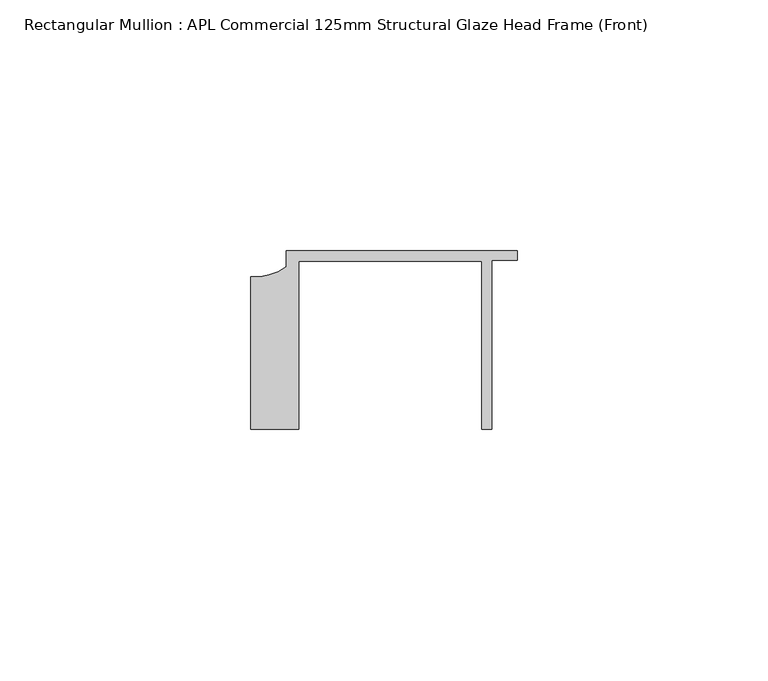
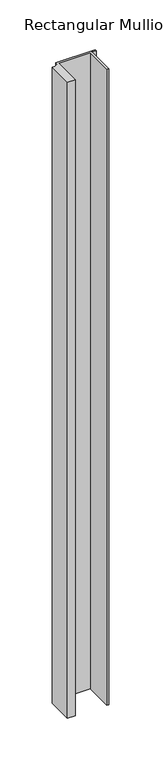
"""IFC4 building model written with IfcOpenShell, lengths in millimetres: member geometry, Rectangular Mullion : APL Commercial 125mm Structural Glaze Head Frame (Front)."""

import ifcopenshell
import ifcopenshell.guid

model = None  # the IFC model being written
_history = None  # IfcOwnerHistory: only IFC2X3 demands one
_inside = {}  # id of a spatial element -> (the spatial element, [elements in it])
_under = {}  # id of a project, library or spatial element -> (it, [spatial elements below it])
_declared = {}  # id of a project -> (the project, [libraries it declares])
_typed = {}  # id of a type object -> (the type object, [elements of that type])
_made_of = {}  # id of a material, layer set ... -> (it, [elements and type objects made of it])


def new_model(schema):
    """Start an empty IFC model of exactly this schema.

    Asked for "IFC4X3", IfcOpenShell would pick the latest addendum, in which some entities
    have other attributes; the version numbers below select the first issue.
    IFC2X3 requires an IfcOwnerHistory on every rooted entity: one is made here for all.
    """
    global model, _history
    if schema == "IFC4X3":
        model = ifcopenshell.file(schema_version=(4, 3, 0, 0))
    else:
        model = ifcopenshell.file(schema=schema)
    _inside.clear()
    _under.clear()
    _declared.clear()
    _typed.clear()
    _made_of.clear()
    _history = None
    if model.schema == "IFC2X3":
        org = make("IfcOrganization", Name="unknown")
        user = make(
            "IfcPersonAndOrganization",
            ThePerson=make("IfcPerson", FamilyName="unknown"),
            TheOrganization=org,
        )
        app = make(
            "IfcApplication",
            ApplicationDeveloper=org,
            Version="unknown",
            ApplicationFullName="unknown",
            ApplicationIdentifier="unknown",
        )
        _history = make(
            "IfcOwnerHistory",
            OwningUser=user,
            OwningApplication=app,
            ChangeAction="ADDED",
            CreationDate=0,
        )
    return model


def make(cls, **values):
    """One entity of the class cls with the attributes given. An attribute that is None is left unset."""
    return model.create_entity(
        cls, **{name: value for name, value in values.items() if value is not None}
    )


def rooted(cls, **values):
    """An entity with a GlobalId (a new one), such as an element, a storey or a relation."""
    return make(cls, GlobalId=ifcopenshell.guid.new(), OwnerHistory=_history, **values)


def si_unit(unit_type, name, prefix=None):
    """IfcSIUnit, for example si_unit("LENGTHUNIT", "METRE", prefix="MILLI")."""
    return make("IfcSIUnit", UnitType=unit_type, Prefix=prefix, Name=name)


def assignment(units):
    """IfcUnitAssignment: the units of a project."""
    return None if units is None else make("IfcUnitAssignment", Units=units)


def point(xyz):
    """IfcCartesianPoint."""
    return None if xyz is None else make("IfcCartesianPoint", Coordinates=xyz)


def direction(xyz):
    """IfcDirection."""
    return None if xyz is None else make("IfcDirection", DirectionRatios=xyz)


def frame(location, z_axis=None, x_axis=None):
    """IfcAxis2Placement3D, a coordinate frame: its origin and axes. An axis left out is left unset."""
    return make(
        "IfcAxis2Placement3D",
        Location=point(location),
        Axis=direction(z_axis),
        RefDirection=direction(x_axis),
    )


def frame_2d(location, x_axis=None):
    """IfcAxis2Placement2D, a coordinate frame in the plane: its origin and x axis."""
    return make(
        "IfcAxis2Placement2D", Location=point(location), RefDirection=direction(x_axis)
    )


def origin():
    """The frame at (0, 0, 0) with its axes left unset."""
    return frame((0.0, 0.0, 0.0))


def place(relative_to, where):
    """IfcLocalPlacement: puts the frame where relative to a parent placement (None: the world)."""
    return make(
        "IfcLocalPlacement", PlacementRelTo=relative_to, RelativePlacement=where
    )


def context(
    kind, dimensions, precision=None, world=None, true_north=None, identifier=None
):
    """IfcGeometricRepresentationContext, for example the 3D "Model" context."""
    return make(
        "IfcGeometricRepresentationContext",
        ContextIdentifier=identifier,
        ContextType=kind,
        CoordinateSpaceDimension=dimensions,
        Precision=precision,
        WorldCoordinateSystem=world,
        TrueNorth=true_north,
    )


def project(units=None, contexts=None):
    """IfcProject with its units and contexts."""
    return rooted(
        "IfcProject",
        Name="project",
        RepresentationContexts=contexts,
        UnitsInContext=assignment(units),
    )


def spatial(cls, under=None, at=None, **own):
    """A site, building, storey or space (cls), placed at a placement, below another one or the project."""
    s = rooted(cls, ObjectPlacement=at, **own)
    if under is not None:
        _under.setdefault(under.id(), (under, []))[1].append(s)
    return s


def polyline(points):
    """IfcPolyline through the points."""
    return make("IfcPolyline", Points=[point(p) for p in points])


def circle_curve(where, radius):
    """IfcCircle in the frame where."""
    return make("IfcCircle", Position=where, Radius=radius)


def trimmed(basis, trim1, trim2, sense, master):
    """IfcTrimmedCurve: the piece of a basis curve between two trims."""
    return make(
        "IfcTrimmedCurve",
        BasisCurve=basis,
        Trim1=trim1,
        Trim2=trim2,
        SenseAgreement=sense,
        MasterRepresentation=master,
    )


def segment(curve, same_sense, transition):
    """IfcCompositeCurveSegment."""
    return make(
        "IfcCompositeCurveSegment",
        Transition=transition,
        SameSense=same_sense,
        ParentCurve=curve,
    )


def composite_curve(segments, self_intersect=None):
    """IfcCompositeCurve: segments joined end to end."""
    return make("IfcCompositeCurve", Segments=segments, SelfIntersect=self_intersect)


def outline(outer, holes=None, kind="AREA"):
    """IfcArbitraryClosedProfileDef: a profile drawn as a closed curve; with holes, ...WithVoids."""
    if holes is None:
        return make("IfcArbitraryClosedProfileDef", ProfileType=kind, OuterCurve=outer)
    return make(
        "IfcArbitraryProfileDefWithVoids",
        ProfileType=kind,
        OuterCurve=outer,
        InnerCurves=holes,
    )


def extrude(swept, where, along, depth):
    """IfcExtrudedAreaSolid: the profile swept, set in the frame where, extruded along a direction by depth."""
    return make(
        "IfcExtrudedAreaSolid",
        SweptArea=swept,
        Position=where,
        ExtrudedDirection=direction(along),
        Depth=depth,
    )


def shape(context_of_items, identifier, shape_type, items):
    """IfcShapeRepresentation: the items that make up one representation, for example the "Body"."""
    return make(
        "IfcShapeRepresentation",
        ContextOfItems=context_of_items,
        RepresentationIdentifier=identifier,
        RepresentationType=shape_type,
        Items=items,
    )


def source(mapping_origin, context_of_items, identifier, shape_type, items):
    """IfcRepresentationMap: a shape defined once, which mapped items show again and again."""
    return make(
        "IfcRepresentationMap",
        MappingOrigin=mapping_origin,
        MappedRepresentation=shape(context_of_items, identifier, shape_type, items),
    )


def transform(
    local_origin,
    x_axis=None,
    y_axis=None,
    z_axis=None,
    scale=None,
    scale2=None,
    scale3=None,
    uniform=True,
):
    """IfcCartesianTransformationOperator3D, or its non-uniform kind. x_axis, y_axis, z_axis: its Axis1, 2, 3."""
    if uniform:
        return make(
            "IfcCartesianTransformationOperator3D",
            Axis1=direction(x_axis),
            Axis2=direction(y_axis),
            LocalOrigin=point(local_origin),
            Scale=scale,
            Axis3=direction(z_axis),
        )
    return make(
        "IfcCartesianTransformationOperator3DnonUniform",
        Axis1=direction(x_axis),
        Axis2=direction(y_axis),
        LocalOrigin=point(local_origin),
        Scale=scale,
        Axis3=direction(z_axis),
        Scale2=scale2,
        Scale3=scale3,
    )


def mapped(mapping_source, mapping_target):
    """IfcMappedItem: shows the shape of a source again, moved by a transform."""
    return make(
        "IfcMappedItem", MappingSource=mapping_source, MappingTarget=mapping_target
    )


def made_of(thing, what):
    """Note that an element or type object is made of a material, layer set ...; save() writes the relation."""
    if what is not None:
        _made_of.setdefault(what.id(), (what, []))[1].append(thing)
    return thing


def element(
    cls,
    number,
    at=None,
    inside=None,
    cuts=None,
    type_object=None,
    material=None,
    context=None,
    identifier="Body",
    shape_type=None,
    held_by="IfcProductDefinitionShape",
    body=None,
    shapes=None,
    **own,
):
    """One element of the class cls, such as IfcWall. Its Tag is "e" and its number.

    at: its placement. inside: the storey or other place that contains it. cuts: it is an
    opening in that element (IfcRelVoidsElement). A single representation is given by context,
    identifier, shape_type and body (its items); several are given by shapes. held_by: the class
    of the entity that holds the representations. save() writes the other relations.
    """
    e = rooted(cls, Tag="e%d" % number, ObjectPlacement=at, **own)
    if body is not None:
        shapes = [shape(context, identifier, shape_type, body)]
    if shapes is not None:
        e.Representation = make(held_by, Representations=shapes)
    if inside is not None:
        _inside.setdefault(inside.id(), (inside, []))[1].append(e)
    if cuts is not None:
        rooted(
            "IfcRelVoidsElement", RelatingBuildingElement=cuts, RelatedOpeningElement=e
        )
    if type_object is not None:
        _typed.setdefault(type_object.id(), (type_object, []))[1].append(e)
    return made_of(e, material)


def aggregate(whole, parts):
    """IfcRelAggregates: a whole, such as a stair, and the parts it consists of."""
    return rooted("IfcRelAggregates", RelatingObject=whole, RelatedObjects=parts)


def save(model, path):
    """Write the relations noted so far, then the file.

    IfcRelAggregates (storeys below a building ...), IfcRelContainedInSpatialStructure (elements
    in a storey), IfcRelDefinesByType, IfcRelAssociatesMaterial and IfcRelDeclares: one each for
    every whole, place, type object, material and project.
    """
    for whole, parts in _under.values():
        aggregate(whole, parts)
    for where, things in _inside.values():
        rooted(
            "IfcRelContainedInSpatialStructure",
            RelatedElements=things,
            RelatingStructure=where,
        )
    for kind, things in _typed.values():
        rooted("IfcRelDefinesByType", RelatedObjects=things, RelatingType=kind)
    for what, things in _made_of.values():
        rooted("IfcRelAssociatesMaterial", RelatedObjects=things, RelatingMaterial=what)
    for by, libraries in _declared.values():
        rooted("IfcRelDeclares", RelatingContext=by, RelatedDefinitions=libraries)
    model.write(path)


def rectangular_mullion_apl_commercial_125mm_structural_glaze_d0a2de19(model_context):
    return source(origin(), model_context, "Body", "SweptSolid", [
        extrude(outline(composite_curve([segment(polyline([(-52.9999542, -15.0), (-52.9999542, 15.3798304)]), True, "CONTINUOUS"), segment(trimmed(circle_curve(frame_2d((-52.109817, 25.7982641)), 10.4563907), [point((-52.9999542, 15.3798304))], [point((-45.9999994, 17.3126154))], True, "CARTESIAN"), True, "CONTINUOUS"), segment(polyline([(-45.9999994, 17.3126154), (-45.9999994, 20.5002486), (0.0, 20.5002486), (0.0, 18.7002486), (-5.0, 18.7002486), (-5.0, -15.0), (-7.0, -15.0), (-7.0, 18.5002486), (-43.5000151, 18.5002486), (-43.5000151, -15.0), (-52.9999542, -15.0)]), True, "CONTINUOUS")], self_intersect=False)), frame((0.0, 0.0, -781.3628177), z_axis=(0.0, 0.0, 1.0), x_axis=(1.0, 0.0, 0.0)), (0.0, 0.0, 1.0), 781.3628177),
    ])


if __name__ == "__main__":
    model = new_model("IFC4")
    model_context = context("Model", 3, world=origin())
    ifc_project = project(units=[si_unit("LENGTHUNIT", "METRE", prefix="MILLI")], contexts=[model_context])
    site = spatial("IfcSite", under=ifc_project)
    building = spatial("IfcBuilding", under=site)
    placement = place(None, origin())
    rectangular_mullion_apl_commercial_125mm_structural_glaze_shape = rectangular_mullion_apl_commercial_125mm_structural_glaze_d0a2de19(model_context)
    element("IfcMember", 1, ObjectType="Rectangular Mullion : APL Commercial 125mm Structural Glaze Head Frame (Front)", at=placement, inside=building, context=model_context, shape_type="MappedRepresentation", body=[
        mapped(rectangular_mullion_apl_commercial_125mm_structural_glaze_shape, transform((0.0, 0.0, 0.0), x_axis=(1.0, 0.0, 0.0), y_axis=(0.0, 1.0, 0.0), z_axis=(0.0, 0.0, 1.0))),
    ])
    save(model, "model.ifc")
